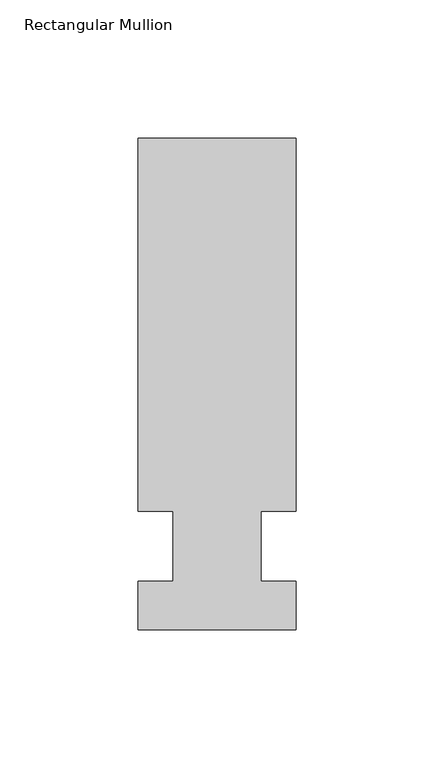
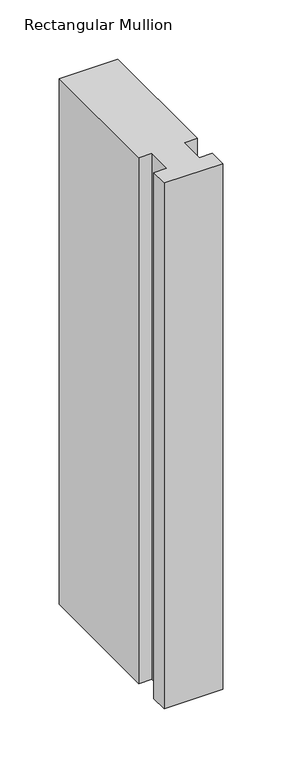
"""IFC4 building model written with IfcOpenShell, lengths in millimetres: member geometry, Rectangular Mullion."""

from ifc_helpers import new_model, si_unit, frame, origin, place, context, project, spatial, polyline, outline, extrude, source, transform, mapped, element, save


def rectangular_mullion_6c00181f(model_context):
    return source(origin(), model_context, "Body", "SweptSolid", [
        extrude(outline(polyline([(28.575, 147.6375), (28.575, 12.7), (15.8732296, 12.7), (15.8732296, -12.7), (28.575, -12.7), (28.575, -30.1625), (-28.575, -30.1625), (-28.575, -12.7), (-15.875, -12.7), (-15.875, 12.7), (-28.575, 12.7), (-28.575, 147.6375), (28.575, 147.6375)])), frame((0.0, 0.0, -542.925), z_axis=(0.0, 0.0, 1.0), x_axis=(1.0, 0.0, 0.0)), (0.0, 0.0, 1.0), 542.925),
    ])


if __name__ == "__main__":
    model = new_model("IFC4")
    model_context = context("Model", 3, world=origin())
    ifc_project = project(units=[si_unit("LENGTHUNIT", "METRE", prefix="MILLI")], contexts=[model_context])
    site = spatial("IfcSite", under=ifc_project)
    building = spatial("IfcBuilding", under=site)
    placement = place(None, origin())
    rectangular_mullion_shape = rectangular_mullion_6c00181f(model_context)
    element("IfcMember", 1, ObjectType="Rectangular Mullion", at=placement, inside=building, context=model_context, shape_type="MappedRepresentation", body=[
        mapped(rectangular_mullion_shape, transform((0.0, 0.0, 0.0), x_axis=(1.0, 0.0, 0.0), y_axis=(0.0, 1.0, 0.0), z_axis=(0.0, 0.0, 1.0))),
    ])
    save(model, "model.ifc")
